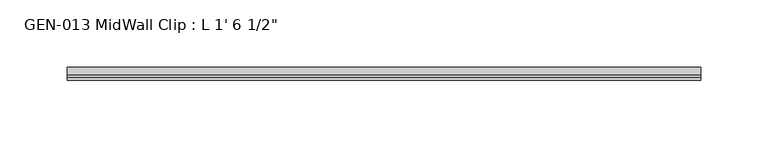
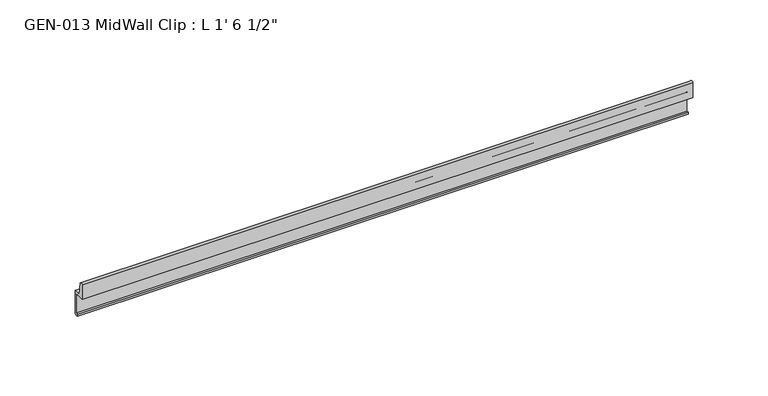
"""IFC4 building model written with IfcOpenShell, lengths in millimetres: proxy geometry."""

from ifc_helpers import new_model, si_unit, point, frame, frame_2d, origin, place, context, project, spatial, polyline, circle_curve, trimmed, segment, composite_curve, outline, extrude, source, transform, mapped, element, save


def proxy_605b7aa3(model_context):
    return source(origin(), model_context, "Body", "SweptSolid", [
        extrude(outline(composite_curve([segment(trimmed(circle_curve(frame_2d((1.9177, 1.1238237)), 1.27), [point((3.1877, 1.1238237))], [point((1.9177, 2.3938237))], True, "CARTESIAN"), True, "CONTINUOUS"), segment(polyline([(1.9177, 2.3938237), (-4.7625, 2.3938237), (-4.7625, 14.4786268)]), True, "CONTINUOUS"), segment(trimmed(circle_curve(frame_2d((-3.5698235, 13.3878692)), 1.6162393), [point((-4.7625, 14.4786268))], [point((-2.4411308, 14.5447106))], False, "CARTESIAN"), True, "CONTINUOUS"), segment(polyline([(-2.4411308, 14.5447106), (-0.630157, 3.9686237), (4.7625, 3.9686237), (4.7625, -15.0559763), (1.6129, -15.0559763), (1.6129, -13.4811763), (3.1877, -13.4811763), (3.1877, 1.1238237)]), True, "CONTINUOUS")], self_intersect=False)), frame((0.0, 0.0, 0.0), z_axis=(1.0, 0.0, 0.0), x_axis=(0.0, 1.0, 0.0)), (0.0, 0.0, 1.0), 469.9),
    ])


if __name__ == "__main__":
    model = new_model("IFC4")
    model_context = context("Model", 3, world=origin())
    ifc_project = project(units=[si_unit("LENGTHUNIT", "METRE", prefix="MILLI")], contexts=[model_context])
    site = spatial("IfcSite", under=ifc_project)
    building = spatial("IfcBuilding", under=site)
    placement = place(None, origin())
    proxy_shape = proxy_605b7aa3(model_context)
    element("IfcBuildingElementProxy", 1, Name="GEN-013 MidWall Clip : L 1' 6 1/2\"", ObjectType="GEN-013 MidWall Clip : L 1' 6 1/2\"", at=placement, inside=building, context=model_context, shape_type="MappedRepresentation", body=[
        mapped(proxy_shape, transform((0.0, 0.0, 0.0), x_axis=(1.0, 0.0, 0.0), y_axis=(0.0, 1.0, 0.0), z_axis=(0.0, 0.0, 1.0))),
    ])
    save(model, "model.ifc")
